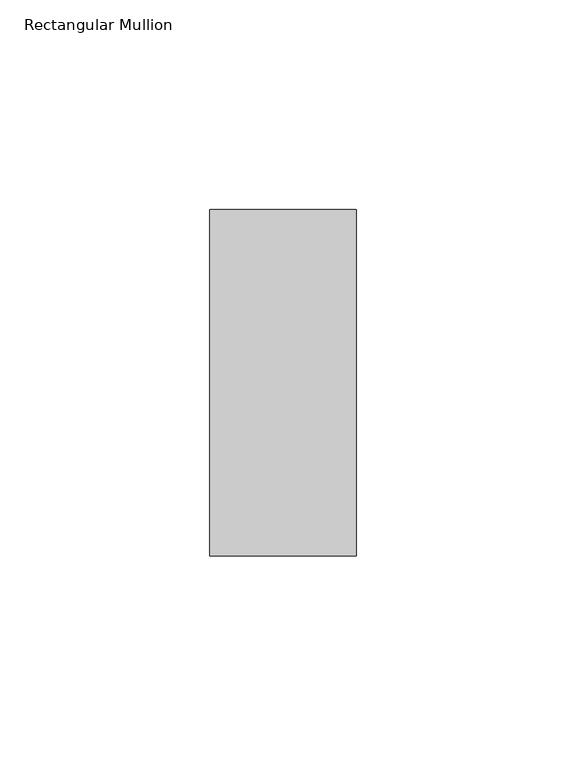
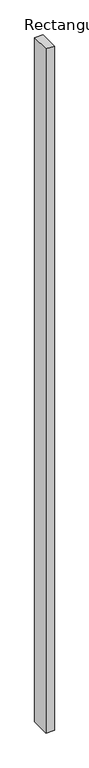
"""IFC4 building model written with IfcOpenShell, lengths in millimetres: member geometry, Rectangular Mullion."""

from ifc_helpers import new_model, si_unit, frame, origin, place, context, project, spatial, polyline, outline, extrude, source, transform, mapped, element, save


def rectangular_mullion_27a38f7f(model_context):
    return source(origin(), model_context, "Body", "SweptSolid", [
        extrude(outline(polyline([(0.0, -73.025), (-34.925, -73.025), (-34.925, 9.525), (0.0, 9.525), (0.0, -73.025)])), frame((0.0, 0.0, -3048.0), z_axis=(0.0, 0.0, 1.0), x_axis=(1.0, 0.0, 0.0)), (0.0, 0.0, 1.0), 3048.0),
    ])


if __name__ == "__main__":
    model = new_model("IFC4")
    model_context = context("Model", 3, world=origin())
    ifc_project = project(units=[si_unit("LENGTHUNIT", "METRE", prefix="MILLI")], contexts=[model_context])
    site = spatial("IfcSite", under=ifc_project)
    building = spatial("IfcBuilding", under=site)
    placement = place(None, origin())
    rectangular_mullion_shape = rectangular_mullion_27a38f7f(model_context)
    element("IfcMember", 1, ObjectType="Rectangular Mullion", at=placement, inside=building, context=model_context, shape_type="MappedRepresentation", body=[
        mapped(rectangular_mullion_shape, transform((0.0, 0.0, 0.0), x_axis=(1.0, 0.0, 0.0), y_axis=(0.0, 1.0, 0.0), z_axis=(0.0, 0.0, 1.0))),
    ])
    save(model, "model.ifc")
